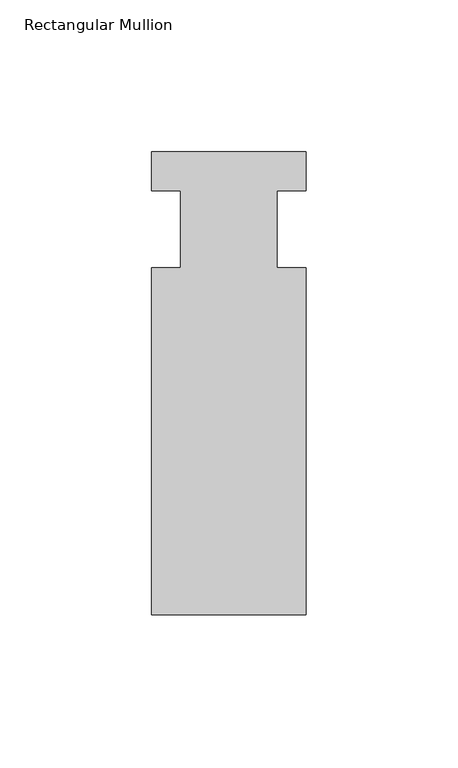
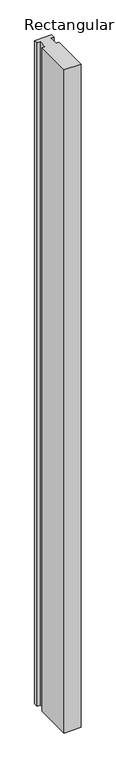
"""IFC4 building model written with IfcOpenShell, lengths in millimetres: member geometry, Rectangular Mullion."""

import ifcopenshell
import ifcopenshell.guid

model = None  # the IFC model being written
_history = None  # IfcOwnerHistory: only IFC2X3 demands one
_inside = {}  # id of a spatial element -> (the spatial element, [elements in it])
_under = {}  # id of a project, library or spatial element -> (it, [spatial elements below it])
_declared = {}  # id of a project -> (the project, [libraries it declares])
_typed = {}  # id of a type object -> (the type object, [elements of that type])
_made_of = {}  # id of a material, layer set ... -> (it, [elements and type objects made of it])


def new_model(schema):
    """Start an empty IFC model of exactly this schema.

    Asked for "IFC4X3", IfcOpenShell would pick the latest addendum, in which some entities
    have other attributes; the version numbers below select the first issue.
    IFC2X3 requires an IfcOwnerHistory on every rooted entity: one is made here for all.
    """
    global model, _history
    if schema == "IFC4X3":
        model = ifcopenshell.file(schema_version=(4, 3, 0, 0))
    else:
        model = ifcopenshell.file(schema=schema)
    _inside.clear()
    _under.clear()
    _declared.clear()
    _typed.clear()
    _made_of.clear()
    _history = None
    if model.schema == "IFC2X3":
        org = make("IfcOrganization", Name="unknown")
        user = make(
            "IfcPersonAndOrganization",
            ThePerson=make("IfcPerson", FamilyName="unknown"),
            TheOrganization=org,
        )
        app = make(
            "IfcApplication",
            ApplicationDeveloper=org,
            Version="unknown",
            ApplicationFullName="unknown",
            ApplicationIdentifier="unknown",
        )
        _history = make(
            "IfcOwnerHistory",
            OwningUser=user,
            OwningApplication=app,
            ChangeAction="ADDED",
            CreationDate=0,
        )
    return model


def make(cls, **values):
    """One entity of the class cls with the attributes given. An attribute that is None is left unset."""
    return model.create_entity(
        cls, **{name: value for name, value in values.items() if value is not None}
    )


def rooted(cls, **values):
    """An entity with a GlobalId (a new one), such as an element, a storey or a relation."""
    return make(cls, GlobalId=ifcopenshell.guid.new(), OwnerHistory=_history, **values)


def si_unit(unit_type, name, prefix=None):
    """IfcSIUnit, for example si_unit("LENGTHUNIT", "METRE", prefix="MILLI")."""
    return make("IfcSIUnit", UnitType=unit_type, Prefix=prefix, Name=name)


def assignment(units):
    """IfcUnitAssignment: the units of a project."""
    return None if units is None else make("IfcUnitAssignment", Units=units)


def point(xyz):
    """IfcCartesianPoint."""
    return None if xyz is None else make("IfcCartesianPoint", Coordinates=xyz)


def direction(xyz):
    """IfcDirection."""
    return None if xyz is None else make("IfcDirection", DirectionRatios=xyz)


def frame(location, z_axis=None, x_axis=None):
    """IfcAxis2Placement3D, a coordinate frame: its origin and axes. An axis left out is left unset."""
    return make(
        "IfcAxis2Placement3D",
        Location=point(location),
        Axis=direction(z_axis),
        RefDirection=direction(x_axis),
    )


def origin():
    """The frame at (0, 0, 0) with its axes left unset."""
    return frame((0.0, 0.0, 0.0))


def place(relative_to, where):
    """IfcLocalPlacement: puts the frame where relative to a parent placement (None: the world)."""
    return make(
        "IfcLocalPlacement", PlacementRelTo=relative_to, RelativePlacement=where
    )


def context(
    kind, dimensions, precision=None, world=None, true_north=None, identifier=None
):
    """IfcGeometricRepresentationContext, for example the 3D "Model" context."""
    return make(
        "IfcGeometricRepresentationContext",
        ContextIdentifier=identifier,
        ContextType=kind,
        CoordinateSpaceDimension=dimensions,
        Precision=precision,
        WorldCoordinateSystem=world,
        TrueNorth=true_north,
    )


def project(units=None, contexts=None):
    """IfcProject with its units and contexts."""
    return rooted(
        "IfcProject",
        Name="project",
        RepresentationContexts=contexts,
        UnitsInContext=assignment(units),
    )


def spatial(cls, under=None, at=None, **own):
    """A site, building, storey or space (cls), placed at a placement, below another one or the project."""
    s = rooted(cls, ObjectPlacement=at, **own)
    if under is not None:
        _under.setdefault(under.id(), (under, []))[1].append(s)
    return s


def polyline(points):
    """IfcPolyline through the points."""
    return make("IfcPolyline", Points=[point(p) for p in points])


def outline(outer, holes=None, kind="AREA"):
    """IfcArbitraryClosedProfileDef: a profile drawn as a closed curve; with holes, ...WithVoids."""
    if holes is None:
        return make("IfcArbitraryClosedProfileDef", ProfileType=kind, OuterCurve=outer)
    return make(
        "IfcArbitraryProfileDefWithVoids",
        ProfileType=kind,
        OuterCurve=outer,
        InnerCurves=holes,
    )


def extrude(swept, where, along, depth):
    """IfcExtrudedAreaSolid: the profile swept, set in the frame where, extruded along a direction by depth."""
    return make(
        "IfcExtrudedAreaSolid",
        SweptArea=swept,
        Position=where,
        ExtrudedDirection=direction(along),
        Depth=depth,
    )


def shape(context_of_items, identifier, shape_type, items):
    """IfcShapeRepresentation: the items that make up one representation, for example the "Body"."""
    return make(
        "IfcShapeRepresentation",
        ContextOfItems=context_of_items,
        RepresentationIdentifier=identifier,
        RepresentationType=shape_type,
        Items=items,
    )


def source(mapping_origin, context_of_items, identifier, shape_type, items):
    """IfcRepresentationMap: a shape defined once, which mapped items show again and again."""
    return make(
        "IfcRepresentationMap",
        MappingOrigin=mapping_origin,
        MappedRepresentation=shape(context_of_items, identifier, shape_type, items),
    )


def transform(
    local_origin,
    x_axis=None,
    y_axis=None,
    z_axis=None,
    scale=None,
    scale2=None,
    scale3=None,
    uniform=True,
):
    """IfcCartesianTransformationOperator3D, or its non-uniform kind. x_axis, y_axis, z_axis: its Axis1, 2, 3."""
    if uniform:
        return make(
            "IfcCartesianTransformationOperator3D",
            Axis1=direction(x_axis),
            Axis2=direction(y_axis),
            LocalOrigin=point(local_origin),
            Scale=scale,
            Axis3=direction(z_axis),
        )
    return make(
        "IfcCartesianTransformationOperator3DnonUniform",
        Axis1=direction(x_axis),
        Axis2=direction(y_axis),
        LocalOrigin=point(local_origin),
        Scale=scale,
        Axis3=direction(z_axis),
        Scale2=scale2,
        Scale3=scale3,
    )


def mapped(mapping_source, mapping_target):
    """IfcMappedItem: shows the shape of a source again, moved by a transform."""
    return make(
        "IfcMappedItem", MappingSource=mapping_source, MappingTarget=mapping_target
    )


def made_of(thing, what):
    """Note that an element or type object is made of a material, layer set ...; save() writes the relation."""
    if what is not None:
        _made_of.setdefault(what.id(), (what, []))[1].append(thing)
    return thing


def element(
    cls,
    number,
    at=None,
    inside=None,
    cuts=None,
    type_object=None,
    material=None,
    context=None,
    identifier="Body",
    shape_type=None,
    held_by="IfcProductDefinitionShape",
    body=None,
    shapes=None,
    **own,
):
    """One element of the class cls, such as IfcWall. Its Tag is "e" and its number.

    at: its placement. inside: the storey or other place that contains it. cuts: it is an
    opening in that element (IfcRelVoidsElement). A single representation is given by context,
    identifier, shape_type and body (its items); several are given by shapes. held_by: the class
    of the entity that holds the representations. save() writes the other relations.
    """
    e = rooted(cls, Tag="e%d" % number, ObjectPlacement=at, **own)
    if body is not None:
        shapes = [shape(context, identifier, shape_type, body)]
    if shapes is not None:
        e.Representation = make(held_by, Representations=shapes)
    if inside is not None:
        _inside.setdefault(inside.id(), (inside, []))[1].append(e)
    if cuts is not None:
        rooted(
            "IfcRelVoidsElement", RelatingBuildingElement=cuts, RelatedOpeningElement=e
        )
    if type_object is not None:
        _typed.setdefault(type_object.id(), (type_object, []))[1].append(e)
    return made_of(e, material)


def aggregate(whole, parts):
    """IfcRelAggregates: a whole, such as a stair, and the parts it consists of."""
    return rooted("IfcRelAggregates", RelatingObject=whole, RelatedObjects=parts)


def save(model, path):
    """Write the relations noted so far, then the file.

    IfcRelAggregates (storeys below a building ...), IfcRelContainedInSpatialStructure (elements
    in a storey), IfcRelDefinesByType, IfcRelAssociatesMaterial and IfcRelDeclares: one each for
    every whole, place, type object, material and project.
    """
    for whole, parts in _under.values():
        aggregate(whole, parts)
    for where, things in _inside.values():
        rooted(
            "IfcRelContainedInSpatialStructure",
            RelatedElements=things,
            RelatingStructure=where,
        )
    for kind, things in _typed.values():
        rooted("IfcRelDefinesByType", RelatedObjects=things, RelatingType=kind)
    for what, things in _made_of.values():
        rooted("IfcRelAssociatesMaterial", RelatedObjects=things, RelatingMaterial=what)
    for by, libraries in _declared.values():
        rooted("IfcRelDeclares", RelatingContext=by, RelatedDefinitions=libraries)
    model.write(path)


def rectangular_mullion_ffa98cd9(model_context):
    return source(origin(), model_context, "Body", "SweptSolid", [
        extrude(outline(polyline([(25.4, -139.7), (-25.4, -139.7), (-25.4, -25.4), (-15.875, -25.4), (-15.875, 0.0), (-25.4, 0.0), (-25.4, 12.7), (25.4, 12.7), (25.4, 0.0), (15.875, 0.0), (15.875, -25.4), (25.4, -25.4), (25.4, -139.7)])), frame((0.0, 0.0, -2092.325), z_axis=(0.0, 0.0, 1.0), x_axis=(1.0, 0.0, 0.0)), (0.0, 0.0, 1.0), 2092.325),
    ])


if __name__ == "__main__":
    model = new_model("IFC4")
    model_context = context("Model", 3, world=origin())
    ifc_project = project(units=[si_unit("LENGTHUNIT", "METRE", prefix="MILLI")], contexts=[model_context])
    site = spatial("IfcSite", under=ifc_project)
    building = spatial("IfcBuilding", under=site)
    placement = place(None, origin())
    rectangular_mullion_shape = rectangular_mullion_ffa98cd9(model_context)
    element("IfcMember", 1, ObjectType="Rectangular Mullion", at=placement, inside=building, context=model_context, shape_type="MappedRepresentation", body=[
        mapped(rectangular_mullion_shape, transform((0.0, 0.0, 0.0), x_axis=(1.0, 0.0, 0.0), y_axis=(0.0, 1.0, 0.0), z_axis=(0.0, 0.0, 1.0))),
    ])
    save(model, "model.ifc")
